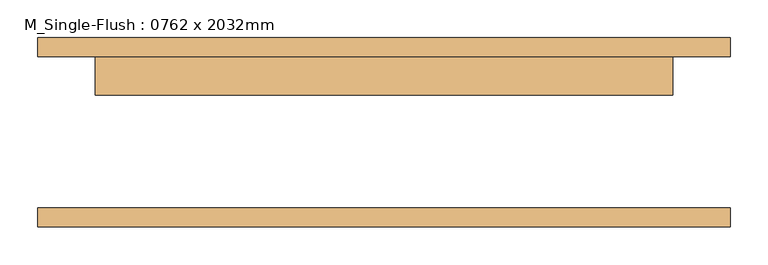
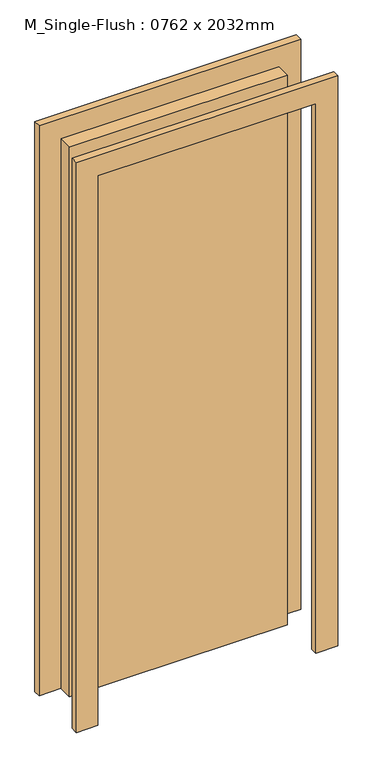
"""IFC4 building model written with IfcOpenShell, lengths in millimetres: door geometry, M_Single-Flush : 0762 x 2032mm."""

from ifc_helpers import new_model, si_unit, frame, origin, origin_with_axes, place, context, project, spatial, polyline, outline, extrude, source, transform, mapped, element, save


def m_single_flush_0762_x_2032mm_0c256fab(model_context):
    return source(origin(), model_context, "Body", "SweptSolid", [
        extrude(outline(polyline([(2108.0, -457.0), (0.0, -457.0), (0.0, -381.0), (2032.0, -381.0), (2032.0, 381.0), (0.0, 381.0), (0.0, 457.0), (2108.0, 457.0), (2108.0, -457.0)])), frame((0.0, 100.0, 0.0), z_axis=(0.0, 1.0, 0.0), x_axis=(0.0, 0.0, 1.0)), (0.0, 0.0, 1.0), 25.0),
        extrude(outline(polyline([(2108.0, 457.0), (2108.0, -457.0), (0.0, -457.0), (0.0, -381.0), (2032.0, -381.0), (2032.0, 381.0), (0.0, 381.0), (0.0, 457.0), (2108.0, 457.0)])), frame((0.0, -125.0, 0.0), z_axis=(0.0, 1.0, 0.0), x_axis=(0.0, 0.0, 1.0)), (0.0, 0.0, 1.0), 25.0),
        extrude(outline(polyline([(381.0, 49.0), (-381.0, 49.0), (-381.0, 100.0), (381.0, 100.0), (381.0, 49.0)])), origin_with_axes(), (0.0, 0.0, 1.0), 2032.0),
    ])


if __name__ == "__main__":
    model = new_model("IFC4")
    model_context = context("Model", 3, world=origin())
    ifc_project = project(units=[si_unit("LENGTHUNIT", "METRE", prefix="MILLI")], contexts=[model_context])
    site = spatial("IfcSite", under=ifc_project)
    building = spatial("IfcBuilding", under=site)
    placement = place(None, origin())
    m_single_flush_0762_x_2032mm_shape = m_single_flush_0762_x_2032mm_0c256fab(model_context)
    element("IfcDoor", 1, ObjectType="M_Single-Flush : 0762 x 2032mm", at=placement, inside=building, context=model_context, shape_type="MappedRepresentation", body=[
        mapped(m_single_flush_0762_x_2032mm_shape, transform((0.0, 0.0, 0.0), x_axis=(1.0, 0.0, 0.0), y_axis=(0.0, 1.0, 0.0), z_axis=(0.0, 0.0, 1.0))),
    ])
    save(model, "model.ifc")
